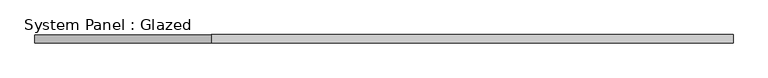
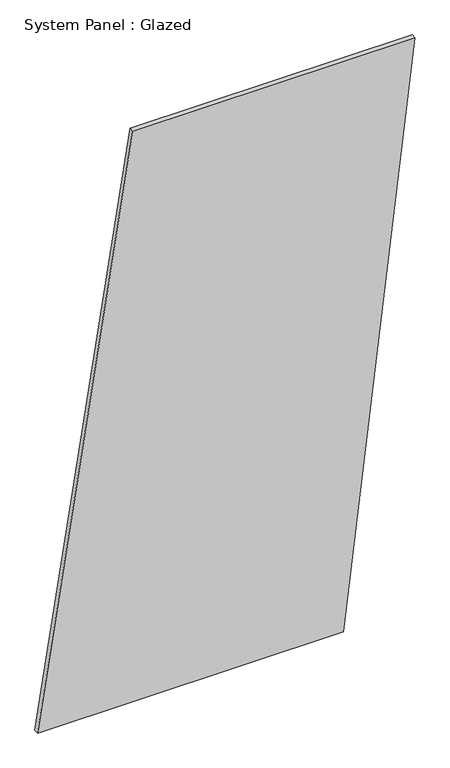
"""IFC4 building model written with IfcOpenShell, lengths in millimetres: plate geometry, System Panel : Glazed."""

import ifcopenshell
import ifcopenshell.guid

model = None  # the IFC model being written
_history = None  # IfcOwnerHistory: only IFC2X3 demands one
_inside = {}  # id of a spatial element -> (the spatial element, [elements in it])
_under = {}  # id of a project, library or spatial element -> (it, [spatial elements below it])
_declared = {}  # id of a project -> (the project, [libraries it declares])
_typed = {}  # id of a type object -> (the type object, [elements of that type])
_made_of = {}  # id of a material, layer set ... -> (it, [elements and type objects made of it])


def new_model(schema):
    """Start an empty IFC model of exactly this schema.

    Asked for "IFC4X3", IfcOpenShell would pick the latest addendum, in which some entities
    have other attributes; the version numbers below select the first issue.
    IFC2X3 requires an IfcOwnerHistory on every rooted entity: one is made here for all.
    """
    global model, _history
    if schema == "IFC4X3":
        model = ifcopenshell.file(schema_version=(4, 3, 0, 0))
    else:
        model = ifcopenshell.file(schema=schema)
    _inside.clear()
    _under.clear()
    _declared.clear()
    _typed.clear()
    _made_of.clear()
    _history = None
    if model.schema == "IFC2X3":
        org = make("IfcOrganization", Name="unknown")
        user = make(
            "IfcPersonAndOrganization",
            ThePerson=make("IfcPerson", FamilyName="unknown"),
            TheOrganization=org,
        )
        app = make(
            "IfcApplication",
            ApplicationDeveloper=org,
            Version="unknown",
            ApplicationFullName="unknown",
            ApplicationIdentifier="unknown",
        )
        _history = make(
            "IfcOwnerHistory",
            OwningUser=user,
            OwningApplication=app,
            ChangeAction="ADDED",
            CreationDate=0,
        )
    return model


def make(cls, **values):
    """One entity of the class cls with the attributes given. An attribute that is None is left unset."""
    return model.create_entity(
        cls, **{name: value for name, value in values.items() if value is not None}
    )


def rooted(cls, **values):
    """An entity with a GlobalId (a new one), such as an element, a storey or a relation."""
    return make(cls, GlobalId=ifcopenshell.guid.new(), OwnerHistory=_history, **values)


def si_unit(unit_type, name, prefix=None):
    """IfcSIUnit, for example si_unit("LENGTHUNIT", "METRE", prefix="MILLI")."""
    return make("IfcSIUnit", UnitType=unit_type, Prefix=prefix, Name=name)


def assignment(units):
    """IfcUnitAssignment: the units of a project."""
    return None if units is None else make("IfcUnitAssignment", Units=units)


def point(xyz):
    """IfcCartesianPoint."""
    return None if xyz is None else make("IfcCartesianPoint", Coordinates=xyz)


def direction(xyz):
    """IfcDirection."""
    return None if xyz is None else make("IfcDirection", DirectionRatios=xyz)


def frame(location, z_axis=None, x_axis=None):
    """IfcAxis2Placement3D, a coordinate frame: its origin and axes. An axis left out is left unset."""
    return make(
        "IfcAxis2Placement3D",
        Location=point(location),
        Axis=direction(z_axis),
        RefDirection=direction(x_axis),
    )


def origin():
    """The frame at (0, 0, 0) with its axes left unset."""
    return frame((0.0, 0.0, 0.0))


def place(relative_to, where):
    """IfcLocalPlacement: puts the frame where relative to a parent placement (None: the world)."""
    return make(
        "IfcLocalPlacement", PlacementRelTo=relative_to, RelativePlacement=where
    )


def context(
    kind, dimensions, precision=None, world=None, true_north=None, identifier=None
):
    """IfcGeometricRepresentationContext, for example the 3D "Model" context."""
    return make(
        "IfcGeometricRepresentationContext",
        ContextIdentifier=identifier,
        ContextType=kind,
        CoordinateSpaceDimension=dimensions,
        Precision=precision,
        WorldCoordinateSystem=world,
        TrueNorth=true_north,
    )


def project(units=None, contexts=None):
    """IfcProject with its units and contexts."""
    return rooted(
        "IfcProject",
        Name="project",
        RepresentationContexts=contexts,
        UnitsInContext=assignment(units),
    )


def spatial(cls, under=None, at=None, **own):
    """A site, building, storey or space (cls), placed at a placement, below another one or the project."""
    s = rooted(cls, ObjectPlacement=at, **own)
    if under is not None:
        _under.setdefault(under.id(), (under, []))[1].append(s)
    return s


def polyline(points):
    """IfcPolyline through the points."""
    return make("IfcPolyline", Points=[point(p) for p in points])


def outline(outer, holes=None, kind="AREA"):
    """IfcArbitraryClosedProfileDef: a profile drawn as a closed curve; with holes, ...WithVoids."""
    if holes is None:
        return make("IfcArbitraryClosedProfileDef", ProfileType=kind, OuterCurve=outer)
    return make(
        "IfcArbitraryProfileDefWithVoids",
        ProfileType=kind,
        OuterCurve=outer,
        InnerCurves=holes,
    )


def extrude(swept, where, along, depth):
    """IfcExtrudedAreaSolid: the profile swept, set in the frame where, extruded along a direction by depth."""
    return make(
        "IfcExtrudedAreaSolid",
        SweptArea=swept,
        Position=where,
        ExtrudedDirection=direction(along),
        Depth=depth,
    )


def shape(context_of_items, identifier, shape_type, items):
    """IfcShapeRepresentation: the items that make up one representation, for example the "Body"."""
    return make(
        "IfcShapeRepresentation",
        ContextOfItems=context_of_items,
        RepresentationIdentifier=identifier,
        RepresentationType=shape_type,
        Items=items,
    )


def source(mapping_origin, context_of_items, identifier, shape_type, items):
    """IfcRepresentationMap: a shape defined once, which mapped items show again and again."""
    return make(
        "IfcRepresentationMap",
        MappingOrigin=mapping_origin,
        MappedRepresentation=shape(context_of_items, identifier, shape_type, items),
    )


def transform(
    local_origin,
    x_axis=None,
    y_axis=None,
    z_axis=None,
    scale=None,
    scale2=None,
    scale3=None,
    uniform=True,
):
    """IfcCartesianTransformationOperator3D, or its non-uniform kind. x_axis, y_axis, z_axis: its Axis1, 2, 3."""
    if uniform:
        return make(
            "IfcCartesianTransformationOperator3D",
            Axis1=direction(x_axis),
            Axis2=direction(y_axis),
            LocalOrigin=point(local_origin),
            Scale=scale,
            Axis3=direction(z_axis),
        )
    return make(
        "IfcCartesianTransformationOperator3DnonUniform",
        Axis1=direction(x_axis),
        Axis2=direction(y_axis),
        LocalOrigin=point(local_origin),
        Scale=scale,
        Axis3=direction(z_axis),
        Scale2=scale2,
        Scale3=scale3,
    )


def mapped(mapping_source, mapping_target):
    """IfcMappedItem: shows the shape of a source again, moved by a transform."""
    return make(
        "IfcMappedItem", MappingSource=mapping_source, MappingTarget=mapping_target
    )


def made_of(thing, what):
    """Note that an element or type object is made of a material, layer set ...; save() writes the relation."""
    if what is not None:
        _made_of.setdefault(what.id(), (what, []))[1].append(thing)
    return thing


def element(
    cls,
    number,
    at=None,
    inside=None,
    cuts=None,
    type_object=None,
    material=None,
    context=None,
    identifier="Body",
    shape_type=None,
    held_by="IfcProductDefinitionShape",
    body=None,
    shapes=None,
    **own,
):
    """One element of the class cls, such as IfcWall. Its Tag is "e" and its number.

    at: its placement. inside: the storey or other place that contains it. cuts: it is an
    opening in that element (IfcRelVoidsElement). A single representation is given by context,
    identifier, shape_type and body (its items); several are given by shapes. held_by: the class
    of the entity that holds the representations. save() writes the other relations.
    """
    e = rooted(cls, Tag="e%d" % number, ObjectPlacement=at, **own)
    if body is not None:
        shapes = [shape(context, identifier, shape_type, body)]
    if shapes is not None:
        e.Representation = make(held_by, Representations=shapes)
    if inside is not None:
        _inside.setdefault(inside.id(), (inside, []))[1].append(e)
    if cuts is not None:
        rooted(
            "IfcRelVoidsElement", RelatingBuildingElement=cuts, RelatedOpeningElement=e
        )
    if type_object is not None:
        _typed.setdefault(type_object.id(), (type_object, []))[1].append(e)
    return made_of(e, material)


def aggregate(whole, parts):
    """IfcRelAggregates: a whole, such as a stair, and the parts it consists of."""
    return rooted("IfcRelAggregates", RelatingObject=whole, RelatedObjects=parts)


def save(model, path):
    """Write the relations noted so far, then the file.

    IfcRelAggregates (storeys below a building ...), IfcRelContainedInSpatialStructure (elements
    in a storey), IfcRelDefinesByType, IfcRelAssociatesMaterial and IfcRelDeclares: one each for
    every whole, place, type object, material and project.
    """
    for whole, parts in _under.values():
        aggregate(whole, parts)
    for where, things in _inside.values():
        rooted(
            "IfcRelContainedInSpatialStructure",
            RelatedElements=things,
            RelatingStructure=where,
        )
    for kind, things in _typed.values():
        rooted("IfcRelDefinesByType", RelatedObjects=things, RelatingType=kind)
    for what, things in _made_of.values():
        rooted("IfcRelAssociatesMaterial", RelatedObjects=things, RelatingMaterial=what)
    for by, libraries in _declared.values():
        rooted("IfcRelDeclares", RelatingContext=by, RelatedDefinitions=libraries)
    model.write(path)


def system_panel_glazed_a373df31(model_context):
    return source(origin(), model_context, "Body", "SweptSolid", [
        extrude(outline(polyline([(0.0, -1043.2151525), (0.0, 648.217888), (3331.8378669, 1043.2151525), (3331.8378669, -516.5521331), (0.0, -1043.2151525)])), frame((0.0, -49.5, 0.0), z_axis=(0.0, 1.0, 0.0), x_axis=(0.0, 0.0, 1.0)), (0.0, 0.0, 1.0), 25.0),
    ])


if __name__ == "__main__":
    model = new_model("IFC4")
    model_context = context("Model", 3, world=origin())
    ifc_project = project(units=[si_unit("LENGTHUNIT", "METRE", prefix="MILLI")], contexts=[model_context])
    site = spatial("IfcSite", under=ifc_project)
    building = spatial("IfcBuilding", under=site)
    placement = place(None, origin())
    system_panel_glazed_shape = system_panel_glazed_a373df31(model_context)
    element("IfcPlate", 1, ObjectType="System Panel : Glazed", at=placement, inside=building, context=model_context, shape_type="MappedRepresentation", body=[
        mapped(system_panel_glazed_shape, transform((0.0, 0.0, 0.0), x_axis=(1.0, 0.0, 0.0), y_axis=(0.0, 1.0, 0.0), z_axis=(0.0, 0.0, 1.0))),
    ])
    save(model, "model.ifc")
